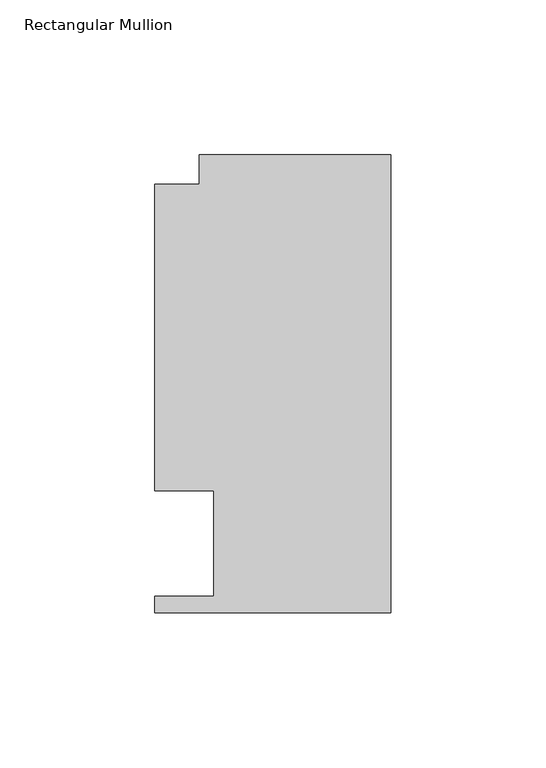
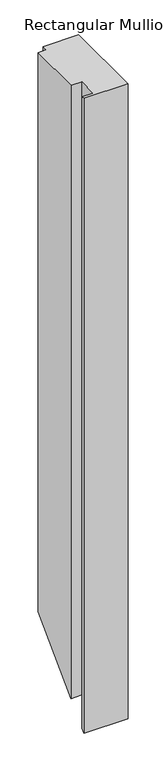
"""IFC4 building model written with IfcOpenShell, lengths in millimetres: member geometry, Rectangular Mullion."""

from ifc_helpers import new_model, si_unit, origin, place, context, project, spatial, faceted_brep, source, transform, mapped, element, save


def rectangular_mullion_0ba7fc62(model_context):
    return source(origin(), model_context, "Body", "Brep", [
        faceted_brep([(-61.9124999, 147.847839, 0.0), (-61.9124999, 138.322839, 0.0), (-76.1999999, 138.322839, 0.0), (-76.1999999, 39.3898438, 0.0), (-57.1499999, 39.3898438, 0.0), (-57.1499999, 5.353839, 0.0), (-76.2, 5.353839, 0.0), (-76.2, 0.019839, 0.0), (0.0, 0.019839, 0.0), (0.0, 147.847839, 0.0), (-61.9124999, 147.847839, -1013.2060047), (-61.9124999, 138.322839, -1022.7310047), (-76.1999999, 138.322839, -1022.7310047), (-76.1999999, 39.3898438, -1121.664), (-57.1499999, 39.3898438, -1121.664), (-57.1499999, 5.353839, -1155.7000047), (-76.2, 5.353839, -1155.7000047), (-76.2, 0.019839, -1161.0340047), (0.0, 0.019839, -1161.0340047), (0.0, 147.847839, -1013.2060047)], [[[0, 1, 2, 3, 4, 5, 6, 7, 8, 9]], [[1, 0, 10, 11]], [[2, 1, 11, 12]], [[3, 2, 12, 13]], [[4, 3, 13, 14]], [[5, 4, 14, 15]], [[6, 5, 15, 16]], [[7, 6, 16, 17]], [[8, 7, 17, 18]], [[9, 8, 18, 19]], [[0, 9, 19, 10]], [[10, 19, 18, 17, 16, 15, 14, 13, 12, 11]]]),
    ])


if __name__ == "__main__":
    model = new_model("IFC4")
    model_context = context("Model", 3, world=origin())
    ifc_project = project(units=[si_unit("LENGTHUNIT", "METRE", prefix="MILLI")], contexts=[model_context])
    site = spatial("IfcSite", under=ifc_project)
    building = spatial("IfcBuilding", under=site)
    placement = place(None, origin())
    rectangular_mullion_shape = rectangular_mullion_0ba7fc62(model_context)
    element("IfcMember", 1, ObjectType="Rectangular Mullion", at=placement, inside=building, context=model_context, shape_type="MappedRepresentation", body=[
        mapped(rectangular_mullion_shape, transform((0.0, 0.0, 0.0), x_axis=(1.0, 0.0, 0.0), y_axis=(0.0, 1.0, 0.0), z_axis=(0.0, 0.0, 1.0))),
    ])
    save(model, "model.ifc")
